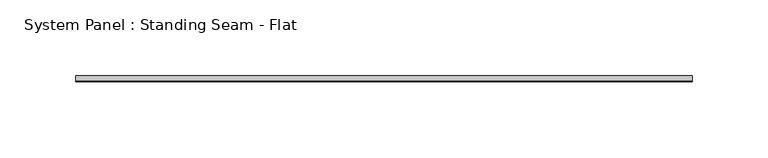
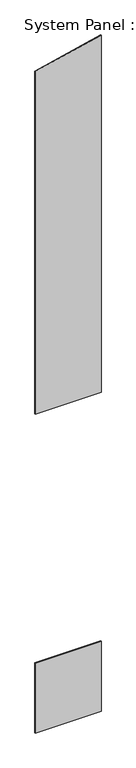
"""IFC4 building model written with IfcOpenShell, lengths in millimetres: plate geometry, System Panel : Standing Seam - Flat."""

from ifc_helpers import new_model, si_unit, frame, origin, origin_with_axes, place, context, project, spatial, polyline, outline, extrude, source, transform, mapped, element, save


def system_panel_standing_seam_flat_c8a3cb14(model_context):
    return source(origin(), model_context, "Body", "SweptSolid", [
        extrude(outline(polyline([(203.2, -1.5875), (-203.2, -1.5875), (-203.2, 1.5875), (203.2, 1.5875), (203.2, -1.5875)])), origin_with_axes(), (0.0, 0.0, 1.0), 457.2),
        extrude(outline(polyline([(2082.8, -203.2), (2082.8, 203.2), (4413.3775325, 203.2), (4319.9947876, -203.2), (2082.8, -203.2)])), frame((0.0, -1.5875, 0.0), z_axis=(0.0, 1.0, 0.0), x_axis=(0.0, 0.0, 1.0)), (0.0, 0.0, 1.0), 3.175),
    ])


if __name__ == "__main__":
    model = new_model("IFC4")
    model_context = context("Model", 3, world=origin())
    ifc_project = project(units=[si_unit("LENGTHUNIT", "METRE", prefix="MILLI")], contexts=[model_context])
    site = spatial("IfcSite", under=ifc_project)
    building = spatial("IfcBuilding", under=site)
    placement = place(None, origin())
    system_panel_standing_seam_flat_shape = system_panel_standing_seam_flat_c8a3cb14(model_context)
    element("IfcPlate", 1, ObjectType="System Panel : Standing Seam - Flat", at=placement, inside=building, context=model_context, shape_type="MappedRepresentation", body=[
        mapped(system_panel_standing_seam_flat_shape, transform((0.0, 0.0, 0.0), x_axis=(1.0, 0.0, 0.0), y_axis=(0.0, 1.0, 0.0), z_axis=(0.0, 0.0, 1.0))),
    ])
    save(model, "model.ifc")
